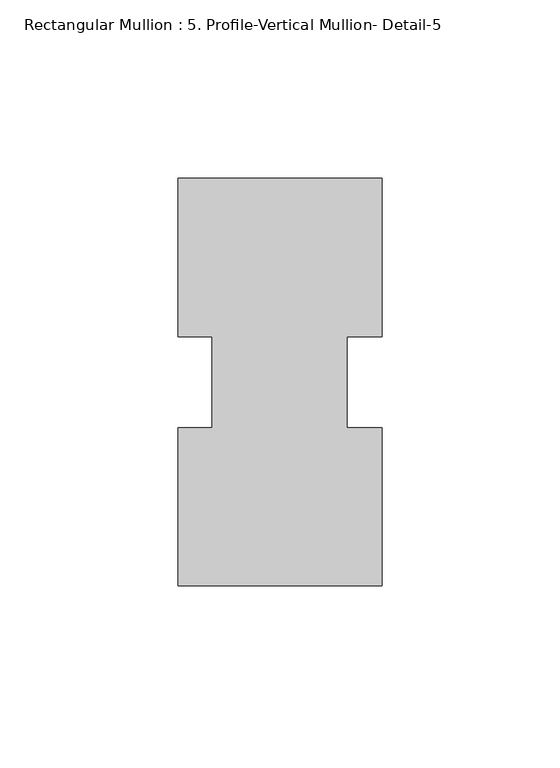
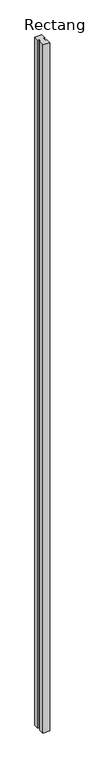
"""IFC4 building model written with IfcOpenShell, lengths in millimetres: member geometry, Rectangular Mullion : 5. Profile-Vertical Mullion- Detail-5."""

from ifc_helpers import new_model, si_unit, frame, origin, place, context, project, spatial, polyline, outline, extrude, source, transform, mapped, element, save


def rectangular_mullion_5_profile_vertical_mullion_detail_5_48580974(model_context):
    return source(origin(), model_context, "Body", "SweptSolid", [
        extrude(outline(polyline([(28.575, -57.15), (-28.575, -57.15), (-28.575, -12.7327592), (-19.05, -12.7327592), (-19.05, 12.7549391), (-28.575, 12.7549391), (-28.575, 57.15), (28.575, 57.15), (28.575, 12.7549391), (18.7325, 12.7549391), (18.7325, -12.7327592), (28.575, -12.7327592), (28.575, -57.15)])), frame((0.0, 0.0, -6096.0), z_axis=(0.0, 0.0, 1.0), x_axis=(1.0, 0.0, 0.0)), (0.0, 0.0, 1.0), 6096.0),
    ])


if __name__ == "__main__":
    model = new_model("IFC4")
    model_context = context("Model", 3, world=origin())
    ifc_project = project(units=[si_unit("LENGTHUNIT", "METRE", prefix="MILLI")], contexts=[model_context])
    site = spatial("IfcSite", under=ifc_project)
    building = spatial("IfcBuilding", under=site)
    placement = place(None, origin())
    rectangular_mullion_5_profile_vertical_mullion_detail_5_shape = rectangular_mullion_5_profile_vertical_mullion_detail_5_48580974(model_context)
    element("IfcMember", 1, ObjectType="Rectangular Mullion : 5. Profile-Vertical Mullion- Detail-5", at=placement, inside=building, context=model_context, shape_type="MappedRepresentation", body=[
        mapped(rectangular_mullion_5_profile_vertical_mullion_detail_5_shape, transform((0.0, 0.0, 0.0), x_axis=(1.0, 0.0, 0.0), y_axis=(0.0, 1.0, 0.0), z_axis=(0.0, 0.0, 1.0))),
    ])
    save(model, "model.ifc")
